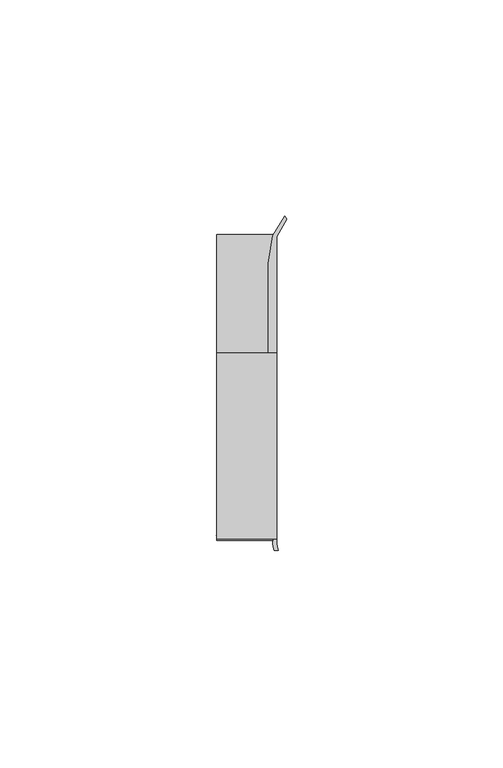
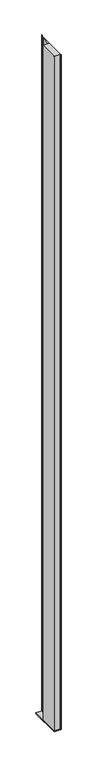
"""IFC4 building model written with IfcOpenShell, lengths in millimetres: furniture geometry."""

from ifc_helpers import new_model, si_unit, point, frame, frame_2d, origin, place, context, project, spatial, polyline, circle_curve, trimmed, segment, composite_curve, outline, extrude, source, transform, mapped, element, save


def furniture_ef070875(model_context):
    return source(origin(), model_context, "Body", "SweptSolid", [
        extrude(outline(polyline([(31.9660873, 18.9594777), (31.9660873, -24.0995273), (18.0754623, -24.0995273), (18.0754623, 18.9594777), (31.9660873, 18.9594777)])), frame((0.0, 0.0, 487.8043624), z_axis=(0.0, 0.0, 1.0), x_axis=(1.0, 0.0, 0.0)), (0.0, 0.0, 1.0), 1614.0456376),
        extrude(outline(polyline([(18.0754623, -24.0995273), (18.0754623, 46.6824219), (31.9660873, 46.6824219), (31.9660873, -24.0995273), (18.0754623, -24.0995273)])), frame((0.0, 0.0, 485.27208), z_axis=(0.0, 0.0, 1.0), x_axis=(1.0, 0.0, 0.0)), (0.0, 0.0, 1.0), 2.5322824),
        extrude(outline(composite_curve([segment(polyline([(33.8779838, 50.6802202), (34.2963358, 49.8958113), (31.9660873, 45.8886719), (31.9660873, -25.0252959)]), True, "CONTINUOUS"), segment(trimmed(circle_curve(frame_2d((36.5370848, -24.9306779)), 4.5719767), [point((31.9660873, -25.0252959))], [point((32.3362111, -26.7350146))], True, "CARTESIAN"), True, "CONTINUOUS"), segment(polyline([(32.3362111, -26.7350146), (31.3598061, -26.7312177)]), True, "CONTINUOUS"), segment(trimmed(circle_curve(frame_2d((38.1067431, -24.7767162)), 7.0243316), [point((31.3598061, -26.7312177))], [point((31.0897622, -25.0979846))], False, "CARTESIAN"), True, "CONTINUOUS"), segment(polyline([(31.0897622, -25.0979846), (31.204088, -24.0995273), (18.7580885, -24.0995273), (17.9586029, -23.2998418), (31.2224462, -23.2998418), (31.2224462, 18.9594777), (29.9783377, 18.9594777), (29.9783377, 39.6814262), (31.1100649, 46.0995711), (33.8779838, 50.6802202)]), True, "CONTINUOUS")], self_intersect=False)), frame((0.0, 0.0, 487.8043624), z_axis=(0.0, 0.0, 1.0), x_axis=(1.0, 0.0, 0.0)), (0.0, 0.0, 1.0), 1614.0456376),
    ])


if __name__ == "__main__":
    model = new_model("IFC4")
    model_context = context("Model", 3, world=origin())
    ifc_project = project(units=[si_unit("LENGTHUNIT", "METRE", prefix="MILLI")], contexts=[model_context])
    site = spatial("IfcSite", under=ifc_project)
    building = spatial("IfcBuilding", under=site)
    placement = place(None, origin())
    furniture_shape = furniture_ef070875(model_context)
    element("IfcFurniture", 1, at=placement, inside=building, context=model_context, shape_type="MappedRepresentation", body=[
        mapped(furniture_shape, transform((0.0, 0.0, 0.0), x_axis=(1.0, 0.0, 0.0), y_axis=(0.0, 1.0, 0.0), z_axis=(0.0, 0.0, 1.0))),
    ])
    save(model, "model.ifc")
